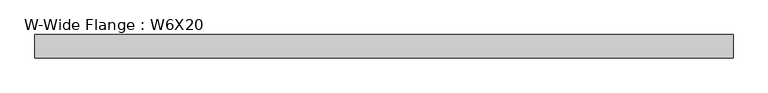
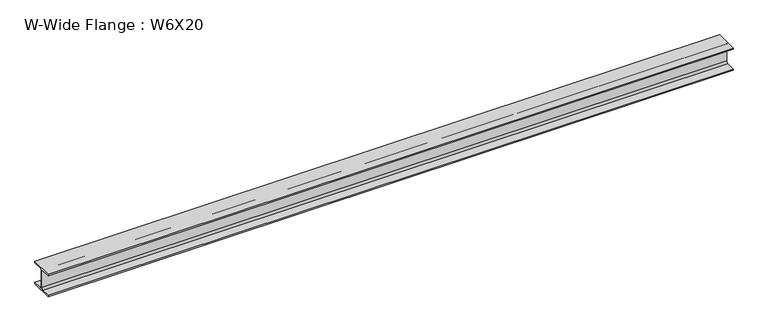
"""IFC4 building model written with IfcOpenShell, lengths in millimetres: beam geometry, W-Wide Flange : W6X20."""

from ifc_helpers import new_model, si_unit, point, frame, frame_2d, origin, place, context, project, spatial, polyline, circle_curve, trimmed, segment, composite_curve, outline, extrude, source, transform, mapped, element, save


def w_wide_flange_w6x20_26ab6786(model_context):
    return source(origin(), model_context, "Body", "SweptSolid", [
        extrude(outline(composite_curve([segment(polyline([(76.4480469, -69.5027344), (76.4480469, -78.7300781), (-76.4480469, -78.7300781), (-76.4480469, -69.5027344), (-16.3214844, -69.5027344)]), True, "CONTINUOUS"), segment(trimmed(circle_curve(frame_2d((-16.3214844, -56.5050781)), 12.9976563), [point((-16.3214844, -69.5027344))], [point((-3.3238281, -56.5050781))], True, "CARTESIAN"), True, "CONTINUOUS"), segment(polyline([(-3.3238281, -56.5050781), (-3.3238281, 56.5050781)]), True, "CONTINUOUS"), segment(trimmed(circle_curve(frame_2d((-16.3214844, 56.5050781)), 12.9976563), [point((-3.3238281, 56.5050781))], [point((-16.3214844, 69.5027344))], True, "CARTESIAN"), True, "CONTINUOUS"), segment(polyline([(-16.3214844, 69.5027344), (-76.4480469, 69.5027344), (-76.4480469, 78.7300781), (76.4480469, 78.7300781), (76.4480469, 69.5027344), (16.3214844, 69.5027344)]), True, "CONTINUOUS"), segment(trimmed(circle_curve(frame_2d((16.3214844, 56.5050781)), 12.9976563), [point((16.3214844, 69.5027344))], [point((3.3238281, 56.5050781))], True, "CARTESIAN"), True, "CONTINUOUS"), segment(polyline([(3.3238281, 56.5050781), (3.3238281, -56.5050781)]), True, "CONTINUOUS"), segment(trimmed(circle_curve(frame_2d((16.3214844, -56.5050781)), 12.9976563), [point((3.3238281, -56.5050781))], [point((16.3214844, -69.5027344))], True, "CARTESIAN"), True, "CONTINUOUS"), segment(polyline([(16.3214844, -69.5027344), (76.4480469, -69.5027344)]), True, "CONTINUOUS")], self_intersect=False)), frame((-2284.6144836, 0.0, 0.0), z_axis=(1.0, 0.0, 0.0), x_axis=(0.0, 1.0, 0.0)), (0.0, 0.0, 1.0), 4562.2553215),
    ])


if __name__ == "__main__":
    model = new_model("IFC4")
    model_context = context("Model", 3, world=origin())
    ifc_project = project(units=[si_unit("LENGTHUNIT", "METRE", prefix="MILLI")], contexts=[model_context])
    site = spatial("IfcSite", under=ifc_project)
    building = spatial("IfcBuilding", under=site)
    placement = place(None, origin())
    w_wide_flange_w6x20_shape = w_wide_flange_w6x20_26ab6786(model_context)
    element("IfcBeam", 1, ObjectType="W-Wide Flange : W6X20", at=placement, inside=building, context=model_context, shape_type="MappedRepresentation", body=[
        mapped(w_wide_flange_w6x20_shape, transform((0.0, 0.0, 0.0), x_axis=(1.0, 0.0, 0.0), y_axis=(0.0, 1.0, 0.0), z_axis=(0.0, 0.0, 1.0))),
    ])
    save(model, "model.ifc")
